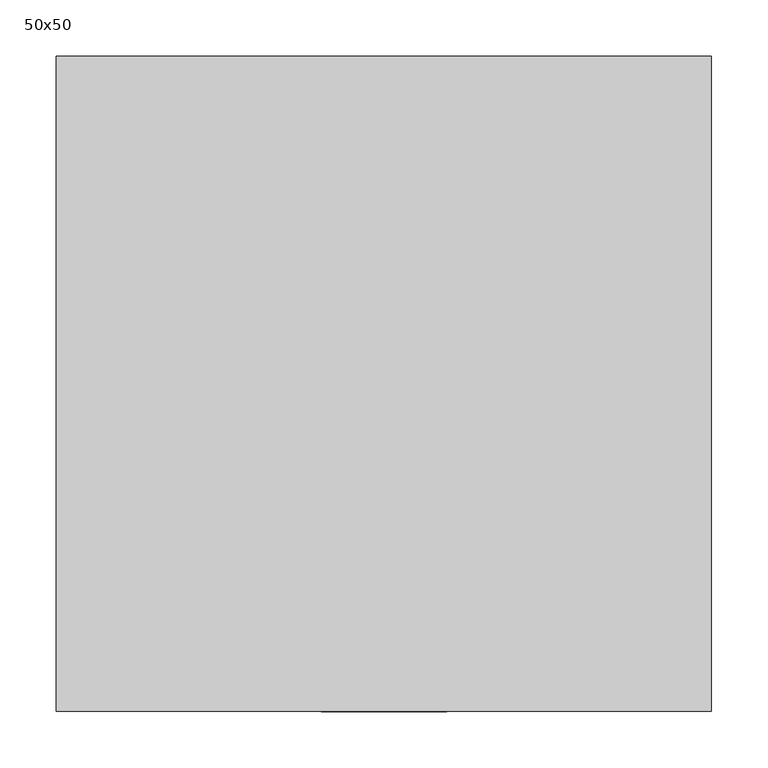
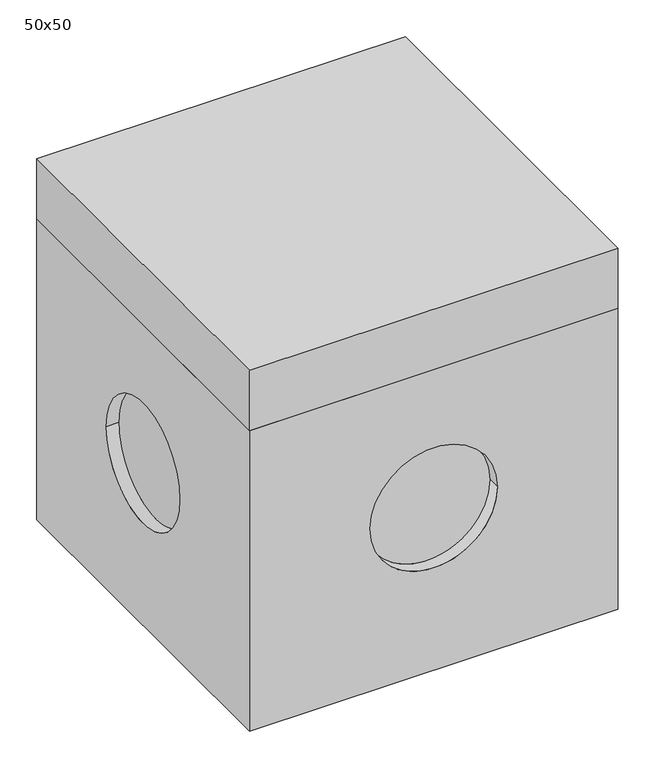
"""IFC4 building model written with IfcOpenShell, lengths in millimetres: proxy geometry, 50x50."""

from ifc_helpers import new_model, si_unit, frame, origin, place, context, project, spatial, polyline, circle_curve, outline, extrude, source, transform, mapped, element, save
from ifc_brep_helpers import plane_surface, revolved_surface, advanced_brep


def proxy_50x50_52e5b1e0(model_context):
    return source(origin(), model_context, "Body", "SolidModel", [
        extrude(outline(polyline([(-290.0, -290.0), (-290.0, 290.0), (290.0, 290.0), (290.0, -290.0), (-290.0, -290.0)])), frame((0.0, 0.0, -100.0), z_axis=(0.0, 0.0, 1.0), x_axis=(1.0, 0.0, 0.0)), (0.0, 0.0, 1.0), 100.0),
        advanced_brep(
        [(290.0, 290.0, -100.0), (-290.0, 290.0, -100.0), (-290.0, -290.0, -100.0), (290.0, -290.0, -100.0), (250.0, 250.0, -100.0), (250.0, -250.0, -100.0), (-250.0, -250.0, -100.0), (-250.0, 250.0, -100.0), (290.0, 290.0, -600.0), (-290.0, 290.0, -600.0), (-100.0, 290.0, -330.0), (100.0, 290.0, -330.0), (-290.0, -290.0, -600.0), (-290.0, -100.0, -330.0), (-290.0, 100.0, -330.0), (290.0, -290.0, -600.0), (100.0, -290.0, -330.0), (-100.0, -290.0, -330.0), (290.0, 100.0, -330.0), (290.0, -100.0, -330.0), (250.0, 250.0, -560.0), (250.0, -250.0, -560.0), (-250.0, -250.0, -560.0), (-250.0, 250.0, -560.0), (-100.0, -270.0, -330.0), (100.0, -270.0, -330.0), (-100.0, 270.0, -330.0), (100.0, 270.0, -330.0), (-270.0, -100.0, -330.0), (-270.0, 100.0, -330.0), (270.0, -100.0, -330.0), (270.0, 100.0, -330.0)],
        [
            (0, 1),
            (1, 2),
            (2, 3),
            (3, 0),
            (4, 5),
            (5, 6),
            (6, 7),
            (7, 4),
            (0, 8),
            (8, 9),
            (9, 1),
            (10, 11, circle_curve(frame((0.0, 290.0, -330.0), z_axis=(0.0, -1.0, 0.0), x_axis=(1.0, 0.0, 0.0)), 100.0)),
            (11, 10, circle_curve(frame((0.0, 290.0, -330.0), z_axis=(0.0, -1.0, 0.0), x_axis=(1.0, 0.0, 0.0)), 100.0)),
            (9, 12),
            (12, 2),
            (13, 14, circle_curve(frame((-290.0, 0.0, -330.0), z_axis=(1.0, 0.0, 0.0), x_axis=(0.0, 1.0, 0.0)), 100.0)),
            (14, 13, circle_curve(frame((-290.0, 0.0, -330.0), z_axis=(1.0, 0.0, 0.0), x_axis=(0.0, 1.0, 0.0)), 100.0)),
            (12, 15),
            (15, 3),
            (16, 17, circle_curve(frame((0.0, -290.0, -330.0), z_axis=(0.0, 1.0, 0.0), x_axis=(1.0, 0.0, 0.0)), 100.0)),
            (17, 16, circle_curve(frame((0.0, -290.0, -330.0), z_axis=(0.0, 1.0, 0.0), x_axis=(1.0, 0.0, 0.0)), 100.0)),
            (15, 8),
            (18, 19, circle_curve(frame((290.0, 0.0, -330.0), z_axis=(-1.0, 0.0, 0.0), x_axis=(0.0, 1.0, 0.0)), 100.0)),
            (19, 18, circle_curve(frame((290.0, 0.0, -330.0), z_axis=(-1.0, 0.0, 0.0), x_axis=(0.0, 1.0, 0.0)), 100.0)),
            (4, 20),
            (20, 21),
            (21, 5),
            (21, 22),
            (22, 6),
            (22, 23),
            (23, 7),
            (23, 20),
            (24, 25, circle_curve(frame((0.0, -270.0, -330.0), z_axis=(0.0, -1.0, 0.0), x_axis=(1.0, 0.0, 0.0)), 100.0)),
            (25, 24, circle_curve(frame((0.0, -270.0, -330.0), z_axis=(0.0, -1.0, 0.0), x_axis=(1.0, 0.0, 0.0)), 100.0)),
            (24, 17),
            (16, 25),
            (26, 27, circle_curve(frame((0.0, 270.0, -330.0), z_axis=(0.0, 1.0, 0.0), x_axis=(1.0, 0.0, 0.0)), 100.0)),
            (27, 26, circle_curve(frame((0.0, 270.0, -330.0), z_axis=(0.0, 1.0, 0.0), x_axis=(1.0, 0.0, 0.0)), 100.0)),
            (27, 11),
            (10, 26),
            (28, 29, circle_curve(frame((-270.0, 0.0, -330.0), z_axis=(-1.0, 0.0, 0.0), x_axis=(0.0, 1.0, 0.0)), 100.0)),
            (29, 28, circle_curve(frame((-270.0, 0.0, -330.0), z_axis=(-1.0, 0.0, 0.0), x_axis=(0.0, 1.0, 0.0)), 100.0)),
            (29, 14),
            (13, 28),
            (30, 31, circle_curve(frame((270.0, 0.0, -330.0), z_axis=(1.0, 0.0, 0.0), x_axis=(0.0, 1.0, 0.0)), 100.0)),
            (31, 30, circle_curve(frame((270.0, 0.0, -330.0), z_axis=(1.0, 0.0, 0.0), x_axis=(0.0, 1.0, 0.0)), 100.0)),
            (30, 19),
            (18, 31),
        ],
        [
            plane_surface(frame((-290.0, 290.0, -100.0), z_axis=(0.0, 0.0, 1.0), x_axis=(-1.0, 0.0, 0.0))),
            plane_surface(frame((290.0, 290.0, -100.0), z_axis=(0.0, 1.0, 0.0), x_axis=(0.0, 0.0, -1.0))),
            plane_surface(frame((-290.0, 290.0, -100.0), z_axis=(-1.0, 0.0, 0.0), x_axis=(0.0, 0.0, -1.0))),
            plane_surface(frame((-290.0, -290.0, -100.0), z_axis=(0.0, -1.0, 0.0), x_axis=(0.0, 0.0, -1.0))),
            plane_surface(frame((290.0, -290.0, -100.0), z_axis=(1.0, 0.0, 0.0), x_axis=(0.0, 0.0, -1.0))),
            plane_surface(frame((250.0, 250.0, -100.0), z_axis=(-1.0, 0.0, 0.0), x_axis=(0.0, 0.0, -1.0))),
            plane_surface(frame((250.0, -250.0, -100.0), z_axis=(0.0, 1.0, 0.0), x_axis=(0.0, 0.0, -1.0))),
            plane_surface(frame((-250.0, -250.0, -100.0), z_axis=(1.0, 0.0, 0.0), x_axis=(0.0, 0.0, -1.0))),
            plane_surface(frame((-250.0, 250.0, -100.0), z_axis=(0.0, -1.0, 0.0), x_axis=(0.0, 0.0, -1.0))),
            plane_surface(frame((-290.0, 290.0, -560.0), z_axis=(0.0, 0.0, 1.0), x_axis=(-1.0, 0.0, 0.0))),
            plane_surface(frame((-290.0, 290.0, -600.0), z_axis=(0.0, 0.0, -1.0), x_axis=(1.0, 0.0, 0.0))),
            plane_surface(frame((100.0, -270.0, -330.0), z_axis=(0.0, -1.0, 0.0), x_axis=(0.0, 0.0, -1.0))),
            revolved_surface(polyline([(100.0, -290.0, -330.0), (100.0, -270.0, -330.0)]), (0.0, -270.0, -330.0), (0.0, -1.0, 0.0)),
            plane_surface(frame((100.0, 270.0, -330.0), z_axis=(0.0, 1.0, 0.0), x_axis=(0.0, 0.0, 1.0))),
            revolved_surface(polyline([(100.0, 270.0, -330.0), (100.0, 290.0, -330.0)]), (0.0, 290.0, -330.0), (0.0, -1.0, 0.0)),
            plane_surface(frame((-270.0, 100.0, -330.0), z_axis=(-1.0, 0.0, 0.0), x_axis=(0.0, 0.0, 1.0))),
            revolved_surface(polyline([(-270.0, 100.0, -330.0), (-290.0, 100.0, -330.0)]), (-290.0, 0.0, -330.0), (1.0, 0.0, 0.0)),
            plane_surface(frame((270.0, 100.0, -330.0), z_axis=(1.0, 0.0, 0.0), x_axis=(0.0, 0.0, -1.0))),
            revolved_surface(polyline([(290.0, 100.0, -330.0), (270.0, 100.0, -330.0)]), (270.0, 0.0, -330.0), (1.0, 0.0, 0.0)),
        ],
        [
            (0, [[1, 2, 3, 4], [5, 6, 7, 8]]),
            (1, [[-1, 9, 10, 11], [12, 13]]),
            (2, [[-2, -11, 14, 15], [16, 17]]),
            (3, [[-3, -15, 18, 19], [20, 21]]),
            (4, [[-4, -19, 22, -9], [23, 24]]),
            (5, [[-5, 25, 26, 27]]),
            (6, [[-6, -27, 28, 29]]),
            (7, [[-7, -29, 30, 31]]),
            (8, [[-8, -31, 32, -25]]),
            (9, [[-26, -32, -30, -28]]),
            (10, [[-22, -18, -14, -10]]),
            (11, [[33, 34]]),
            (12, [[-33, 35, -20, 36]]),
            (12, [[-34, -36, -21, -35]]),
            (13, [[37, 38]]),
            (14, [[-38, 39, -12, 40]]),
            (14, [[-37, -40, -13, -39]]),
            (15, [[41, 42]]),
            (16, [[-42, 43, -16, 44]]),
            (16, [[-41, -44, -17, -43]]),
            (17, [[45, 46]]),
            (18, [[-45, 47, -23, 48]]),
            (18, [[-46, -48, -24, -47]]),
        ],
    ),
    ])


if __name__ == "__main__":
    model = new_model("IFC4")
    model_context = context("Model", 3, world=origin())
    ifc_project = project(units=[si_unit("LENGTHUNIT", "METRE", prefix="MILLI")], contexts=[model_context])
    site = spatial("IfcSite", under=ifc_project)
    building = spatial("IfcBuilding", under=site)
    placement = place(None, origin())
    proxy_50x50_shape = proxy_50x50_52e5b1e0(model_context)
    element("IfcBuildingElementProxy", 1, Name="50x50", ObjectType="50x50", at=placement, inside=building, context=model_context, shape_type="MappedRepresentation", body=[
        mapped(proxy_50x50_shape, transform((0.0, 0.0, 0.0), x_axis=(1.0, 0.0, 0.0), y_axis=(0.0, 1.0, 0.0), z_axis=(0.0, 0.0, 1.0))),
    ])
    save(model, "model.ifc")
